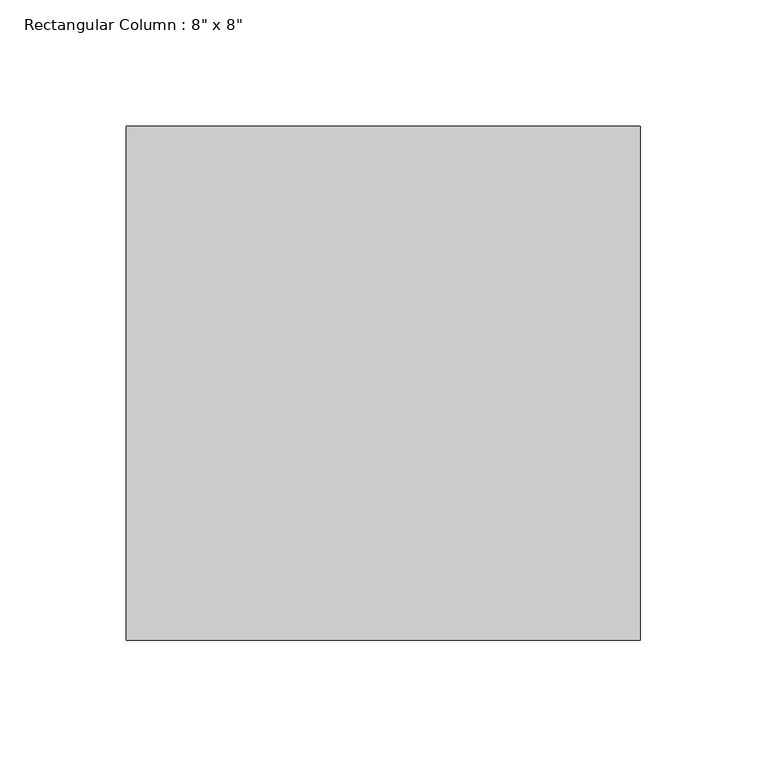
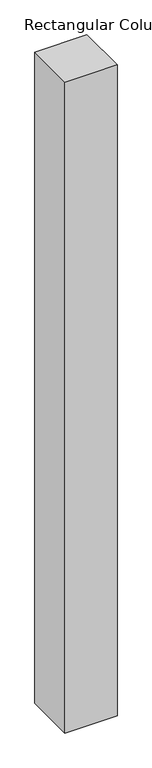
"""IFC4 building model written with IfcOpenShell, lengths in millimetres: column geometry."""

from ifc_helpers import new_model, si_unit, frame, origin, place, context, project, spatial, polyline, outline, extrude, source, transform, mapped, element, save


def column_144b410a(model_context):
    return source(origin(), model_context, "Body", "SweptSolid", [
        extrude(outline(polyline([(101.6, 101.6), (101.6, -101.6), (-101.6, -101.6), (-101.6, 101.6), (101.6, 101.6)])), frame((0.0, 0.0, -152.4), z_axis=(0.0, 0.0, 1.0), x_axis=(1.0, 0.0, 0.0)), (0.0, 0.0, 1.0), 2686.05),
    ])


if __name__ == "__main__":
    model = new_model("IFC4")
    model_context = context("Model", 3, world=origin())
    ifc_project = project(units=[si_unit("LENGTHUNIT", "METRE", prefix="MILLI")], contexts=[model_context])
    site = spatial("IfcSite", under=ifc_project)
    building = spatial("IfcBuilding", under=site)
    placement = place(None, origin())
    column_shape = column_144b410a(model_context)
    element("IfcColumn", 1, ObjectType="Rectangular Column : 8\" x 8\"", at=placement, inside=building, context=model_context, shape_type="MappedRepresentation", body=[
        mapped(column_shape, transform((0.0, 0.0, 0.0), x_axis=(1.0, 0.0, 0.0), y_axis=(0.0, 1.0, 0.0), z_axis=(0.0, 0.0, 1.0))),
    ])
    save(model, "model.ifc")
